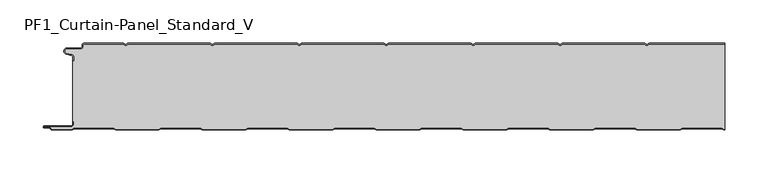
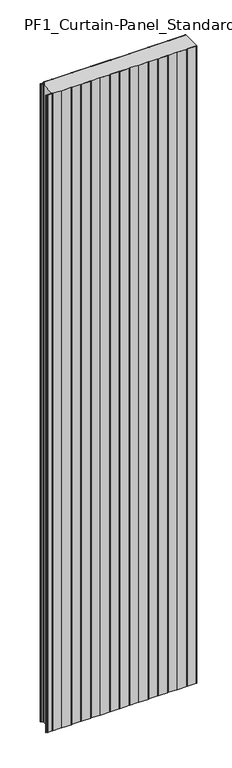
"""IFC4 building model written with IfcOpenShell, lengths in millimetres: plate geometry, PF1_Curtain-Panel_Standard_V."""

from ifc_helpers import new_model, si_unit, point, frame_2d, origin, origin_with_axes, place, context, project, spatial, polyline, circle_curve, trimmed, segment, composite_curve, outline, extrude, source, transform, mapped, element, save


def pf1_curtain_panel_standard_v_9ebab55d(model_context):
    return source(origin(), model_context, "Body", "SweptSolid", [
        extrude(outline(composite_curve([segment(trimmed(circle_curve(frame_2d((-377.0, -15.878557)), 2.0), [point((-375.0, -15.878557))], [point((-376.5500978, -13.9298169))], True, "CARTESIAN"), True, "CONTINUOUS"), segment(polyline([(-376.5500978, -13.9298169), (-382.7098239, -12.507732)]), True, "CONTINUOUS"), segment(trimmed(circle_curve(frame_2d((-381.9, -9.0)), 3.6), [point((-382.7098239, -12.507732))], [point((-381.9, -5.4))], False, "CARTESIAN"), True, "CONTINUOUS"), segment(polyline([(-381.9, -5.4), (-366.4, -5.4)]), True, "CONTINUOUS"), segment(trimmed(circle_curve(frame_2d((-366.4, -3.4)), 2.0), [point((-366.4, -5.4))], [point((-364.4, -3.4))], True, "CARTESIAN"), True, "CONTINUOUS"), segment(polyline([(-364.4, -3.4), (-364.4, -2.0)]), True, "CONTINUOUS"), segment(trimmed(circle_curve(frame_2d((-362.4, -2.0)), 2.0), [point((-364.4, -2.0))], [point((-362.4, 0.0))], False, "CARTESIAN"), True, "CONTINUOUS"), segment(polyline([(-362.4, 0.0), (-317.0999995, 0.0), (-314.4, -1.5588455), (-311.7000005, 0.0), (-217.0999995, 0.0), (-214.4, -1.5588455), (-211.7000005, 0.0), (-117.0999995, 0.0), (-114.4, -1.5588455), (-111.7000005, 0.0), (-17.0999995, 0.0), (-14.4, -1.5588455), (-11.7000005, 0.0), (82.9000005, 0.0), (85.6, -1.5588455), (88.2999995, 0.0), (182.9000005, 0.0), (185.6, -1.5588455), (188.2999995, 0.0), (282.9000005, 0.0), (285.6, -1.5588455), (288.2999995, 0.0), (375.0, 0.0), (375.0, -0.8), (288.5143588, -0.8), (285.6, -2.482606), (282.6856412, -0.8), (188.5143588, -0.8), (185.6, -2.482606), (182.6856412, -0.8), (88.5143588, -0.8), (85.6, -2.482606), (82.6856412, -0.8), (-11.4856412, -0.8), (-14.4, -2.482606), (-17.3143588, -0.8), (-111.4856412, -0.8), (-114.4, -2.482606), (-117.3143588, -0.8), (-211.4856412, -0.8), (-214.4, -2.482606), (-217.3143588, -0.8), (-311.4856412, -0.8), (-314.4, -2.482606), (-317.3143588, -0.8), (-362.4, -0.8)]), True, "CONTINUOUS"), segment(trimmed(circle_curve(frame_2d((-362.4, -2.0)), 1.2), [point((-362.4, -0.8))], [point((-363.6, -2.0))], True, "CARTESIAN"), True, "CONTINUOUS"), segment(polyline([(-363.6, -2.0), (-363.6, -3.4)]), True, "CONTINUOUS"), segment(trimmed(circle_curve(frame_2d((-366.4, -3.4)), 2.8), [point((-363.6, -3.4))], [point((-366.4, -6.2))], False, "CARTESIAN"), True, "CONTINUOUS"), segment(polyline([(-366.4, -6.2), (-381.9, -6.2)]), True, "CONTINUOUS"), segment(trimmed(circle_curve(frame_2d((-381.9, -9.0)), 2.8), [point((-381.9, -6.2))], [point((-382.529863, -11.7282362))], True, "CARTESIAN"), True, "CONTINUOUS"), segment(polyline([(-382.529863, -11.7282362), (-376.370137, -13.150321)]), True, "CONTINUOUS"), segment(trimmed(circle_curve(frame_2d((-377.0, -15.878557)), 2.8), [point((-376.370137, -13.150321))], [point((-374.2, -15.878557))], False, "CARTESIAN"), True, "CONTINUOUS"), segment(polyline([(-374.2, -15.878557), (-374.2, -20.0), (-375.0, -20.0), (-375.0, -15.878557)]), True, "CONTINUOUS")], self_intersect=False)), origin_with_axes(), (0.0, 0.0, 1.0), 3500.0),
        extrude(outline(composite_curve([segment(polyline([(-374.2, -90.0), (-375.0, -90.0), (-375.0, -20.0), (-374.2, -20.0), (-374.2, -15.878557)]), True, "CONTINUOUS"), segment(trimmed(circle_curve(frame_2d((-377.0, -15.878557)), 2.8), [point((-374.2, -15.878557))], [point((-376.370137, -13.1503208))], True, "CARTESIAN"), True, "CONTINUOUS"), segment(polyline([(-376.370137, -13.1503208), (-382.529863, -11.7282362)]), True, "CONTINUOUS"), segment(trimmed(circle_curve(frame_2d((-381.9, -9.0)), 2.8), [point((-382.529863, -11.7282362))], [point((-381.9, -6.2))], False, "CARTESIAN"), True, "CONTINUOUS"), segment(polyline([(-381.9, -6.2), (-366.4, -6.2)]), True, "CONTINUOUS"), segment(trimmed(circle_curve(frame_2d((-366.4, -3.4)), 2.8), [point((-366.4, -6.2))], [point((-363.6, -3.4))], True, "CARTESIAN"), True, "CONTINUOUS"), segment(polyline([(-363.6, -3.4), (-363.6, -2.0)]), True, "CONTINUOUS"), segment(trimmed(circle_curve(frame_2d((-362.4, -2.0)), 1.2), [point((-363.6, -2.0))], [point((-362.4, -0.8))], False, "CARTESIAN"), True, "CONTINUOUS"), segment(polyline([(-362.4, -0.8), (-317.3143588, -0.8), (-314.4, -2.482606), (-311.4856412, -0.8), (-217.3143588, -0.8), (-214.4, -2.482606), (-211.4856412, -0.8), (-117.3143588, -0.8), (-114.4, -2.482606), (-111.4856412, -0.8), (-17.3143588, -0.8), (-14.4, -2.482606), (-11.4856412, -0.8), (82.6856412, -0.8), (85.6, -2.482606), (88.5143588, -0.8), (182.6856412, -0.8), (185.6, -2.482606), (188.5143588, -0.8), (282.6856412, -0.8), (285.6, -2.482606), (288.5143588, -0.8), (375.0, -0.8), (375.0, -99.2), (374.2152562, -99.2), (371.6171786, -97.7), (326.3884624, -97.7), (323.7903848, -99.2), (274.2152562, -99.2), (271.6171786, -97.7), (226.3884624, -97.7), (223.7903848, -99.2), (174.2152562, -99.2), (171.6171786, -97.7), (126.3884624, -97.7), (123.7903848, -99.2), (74.2152562, -99.2), (71.6171786, -97.7), (26.3884624, -97.7), (23.7903848, -99.2), (-25.7847438, -99.2), (-28.3828214, -97.7), (-73.6115376, -97.7), (-76.2096152, -99.2), (-125.7847438, -99.2), (-128.3828214, -97.7), (-173.6115376, -97.7), (-176.2096152, -99.2), (-225.7847438, -99.2), (-228.3828214, -97.7), (-273.6115376, -97.7), (-276.2096152, -99.2), (-325.7847438, -99.2), (-328.3828214, -97.7), (-373.6115376, -97.7), (-376.2096152, -99.2), (-399.4, -99.2)]), True, "CONTINUOUS"), segment(trimmed(circle_curve(frame_2d((-399.4, -98.4)), 0.8), [point((-399.4, -99.2))], [point((-400.2, -98.4))], False, "CARTESIAN"), True, "CONTINUOUS"), segment(trimmed(circle_curve(frame_2d((-401.9, -98.6133333)), 1.7133333), [point((-400.2, -98.4))], [point((-401.9, -96.9))], True, "CARTESIAN"), True, "CONTINUOUS"), segment(polyline([(-401.9, -96.9), (-407.8700312, -96.9)]), True, "CONTINUOUS"), segment(trimmed(circle_curve(frame_2d((-407.8700312, -96.6)), 0.3), [point((-407.8700312, -96.9))], [point((-407.8700312, -96.3))], False, "CARTESIAN"), True, "CONTINUOUS"), segment(polyline([(-407.8700312, -96.3), (-377.0, -96.3)]), True, "CONTINUOUS"), segment(trimmed(circle_curve(frame_2d((-377.0, -93.5)), 2.8), [point((-377.0, -96.3))], [point((-374.2, -93.5))], True, "CARTESIAN"), True, "CONTINUOUS"), segment(polyline([(-374.2, -93.5), (-374.2, -90.0)]), True, "CONTINUOUS")], self_intersect=False)), origin_with_axes(), (0.0, 0.0, 1.0), 3500.0),
        extrude(outline(composite_curve([segment(polyline([(-375.0, -90.0), (-374.2, -90.0), (-374.2, -93.5)]), True, "CONTINUOUS"), segment(trimmed(circle_curve(frame_2d((-377.0, -93.5)), 2.8), [point((-374.2, -93.5))], [point((-377.0, -96.3))], False, "CARTESIAN"), True, "CONTINUOUS"), segment(polyline([(-377.0, -96.3), (-407.8700312, -96.3)]), True, "CONTINUOUS"), segment(trimmed(circle_curve(frame_2d((-407.8700312, -96.6)), 0.3), [point((-407.8700312, -96.3))], [point((-407.8700312, -96.9))], True, "CARTESIAN"), True, "CONTINUOUS"), segment(polyline([(-407.8700312, -96.9), (-401.9, -96.9)]), True, "CONTINUOUS"), segment(trimmed(circle_curve(frame_2d((-401.9, -98.6133333)), 1.7133333), [point((-401.9, -96.9))], [point((-400.2, -98.4))], False, "CARTESIAN"), True, "CONTINUOUS"), segment(trimmed(circle_curve(frame_2d((-399.4, -98.4)), 0.8), [point((-400.2, -98.4))], [point((-399.4, -99.2))], True, "CARTESIAN"), True, "CONTINUOUS"), segment(polyline([(-399.4, -99.2), (-376.2096152, -99.2), (-373.6115376, -97.7), (-328.3828214, -97.7), (-325.7847438, -99.2), (-276.2096152, -99.2), (-273.6115376, -97.7), (-228.3828214, -97.7), (-225.7847438, -99.2), (-176.2096152, -99.2), (-173.6115376, -97.7), (-128.3828214, -97.7), (-125.7847438, -99.2), (-76.2096152, -99.2), (-73.6115376, -97.7), (-28.3828214, -97.7), (-25.7847438, -99.2), (23.7903848, -99.2), (26.3884624, -97.7), (71.6171786, -97.7), (74.2152562, -99.2), (123.7903848, -99.2), (126.3884624, -97.7), (171.6171786, -97.7), (174.2152562, -99.2), (223.7903848, -99.2), (226.3884624, -97.7), (271.6171786, -97.7), (274.2152562, -99.2), (323.7903848, -99.2), (326.3884624, -97.7), (371.6171786, -97.7), (374.2152562, -99.2), (375.0, -99.2), (375.0, -100.0), (374.0008969, -100.0), (371.4028193, -98.5), (326.6028217, -98.5), (324.0047441, -100.0), (274.0008969, -100.0), (271.4028193, -98.5), (226.6028217, -98.5), (224.0047441, -100.0), (174.0008969, -100.0), (171.4028193, -98.5), (126.6028217, -98.5), (124.0047441, -100.0), (74.0008969, -100.0), (71.4028193, -98.5), (26.6028217, -98.5), (24.0047441, -100.0), (-25.9991031, -100.0), (-28.5971807, -98.5), (-73.3971783, -98.5), (-75.9952559, -100.0), (-125.9991031, -100.0), (-128.5971807, -98.5), (-173.3971783, -98.5), (-175.9952559, -100.0), (-225.9991031, -100.0), (-228.5971807, -98.5), (-273.3971783, -98.5), (-275.9952559, -100.0), (-325.9991031, -100.0), (-328.5971807, -98.5), (-373.3971783, -98.5), (-375.9952559, -100.0), (-399.4, -100.0)]), True, "CONTINUOUS"), segment(trimmed(circle_curve(frame_2d((-399.4, -98.4)), 1.6), [point((-399.4, -100.0))], [point((-401.0, -98.4))], False, "CARTESIAN"), True, "CONTINUOUS"), segment(trimmed(circle_curve(frame_2d((-401.9, -98.4)), 0.9), [point((-401.0, -98.4))], [point((-401.9, -97.5))], True, "CARTESIAN"), True, "CONTINUOUS"), segment(polyline([(-401.9, -97.5), (-408.0, -97.5)]), True, "CONTINUOUS"), segment(trimmed(circle_curve(frame_2d((-408.0, -96.5)), 1.0), [point((-408.0, -97.5))], [point((-408.0, -95.5))], False, "CARTESIAN"), True, "CONTINUOUS"), segment(polyline([(-408.0, -95.5), (-377.0, -95.5)]), True, "CONTINUOUS"), segment(trimmed(circle_curve(frame_2d((-377.0, -93.5)), 2.0), [point((-377.0, -95.5))], [point((-375.0, -93.5))], True, "CARTESIAN"), True, "CONTINUOUS"), segment(polyline([(-375.0, -93.5), (-375.0, -90.0)]), True, "CONTINUOUS")], self_intersect=False)), origin_with_axes(), (0.0, 0.0, 1.0), 3500.0),
    ])


if __name__ == "__main__":
    model = new_model("IFC4")
    model_context = context("Model", 3, world=origin())
    ifc_project = project(units=[si_unit("LENGTHUNIT", "METRE", prefix="MILLI")], contexts=[model_context])
    site = spatial("IfcSite", under=ifc_project)
    building = spatial("IfcBuilding", under=site)
    placement = place(None, origin())
    pf1_curtain_panel_standard_v_shape = pf1_curtain_panel_standard_v_9ebab55d(model_context)
    element("IfcPlate", 1, ObjectType="PF1_Curtain-Panel_Standard_V", at=placement, inside=building, context=model_context, shape_type="MappedRepresentation", body=[
        mapped(pf1_curtain_panel_standard_v_shape, transform((0.0, 0.0, 0.0), x_axis=(1.0, 0.0, 0.0), y_axis=(0.0, 1.0, 0.0), z_axis=(0.0, 0.0, 1.0))),
    ])
    save(model, "model.ifc")
